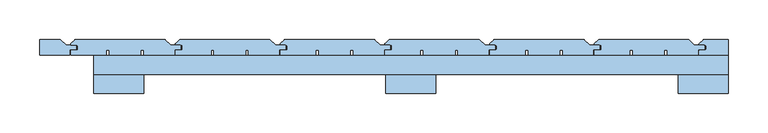
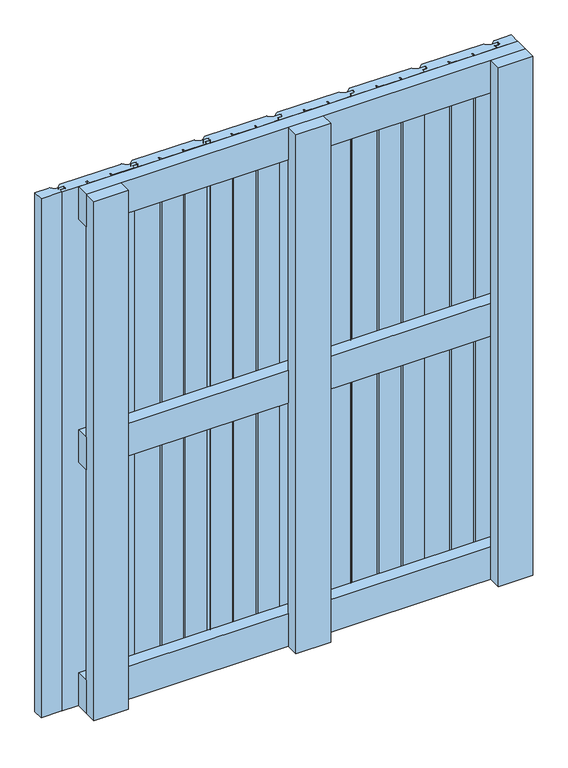
"""IFC4 building model written with IfcOpenShell, lengths in millimetres: window geometry."""

from ifc_helpers import new_model, si_unit, point, frame, frame_2d, origin, place, context, project, spatial, polyline, circle_curve, trimmed, segment, composite_curve, outline, extrude, source, transform, mapped, element, save


def window_c0dc005f(model_context):
    return source(origin(), model_context, "Body", "SweptSolid", [
        extrude(outline(polyline([(400.0, 60.1), (400.0, 36.1), (-400.0, 36.1), (-400.0, 60.1), (400.0, 60.1)])), frame((0.0, 0.0, 568.5), z_axis=(0.0, 0.0, 1.0), x_axis=(1.0, 0.0, 0.0)), (0.0, 0.0, 1.0), 63.0),
        extrude(outline(polyline([(400.0, 60.0), (400.0, 36.0), (-400.0, 36.0), (-400.0, 60.0), (400.0, 60.0)])), frame((0.0, 0.0, 1037.0), z_axis=(0.0, 0.0, 1.0), x_axis=(1.0, 0.0, 0.0)), (0.0, 0.0, 1.0), 63.0),
        extrude(outline(polyline([(400.0, 60.0), (400.0, 36.0), (-400.0, 36.0), (-400.0, 60.0), (400.0, 60.0)])), frame((0.0, 0.0, 100.0), z_axis=(0.0, 0.0, 1.0), x_axis=(1.0, 0.0, 0.0)), (0.0, 0.0, 1.0), 63.0),
        extrude(outline(composite_curve([segment(polyline([(-428.0, 66.5), (-421.5, 66.5)]), True, "CONTINUOUS"), segment(trimmed(circle_curve(frame_2d((-421.5, 68.0)), 1.5), [point((-421.5, 66.5))], [point((-420.0, 68.0))], True, "CARTESIAN"), True, "CONTINUOUS"), segment(polyline([(-420.0, 68.0), (-420.0, 71.5)]), True, "CONTINUOUS"), segment(trimmed(circle_curve(frame_2d((-421.5, 71.5)), 1.5), [point((-420.0, 71.5))], [point((-421.5, 73.0))], True, "CARTESIAN"), True, "CONTINUOUS"), segment(polyline([(-421.5, 73.0), (-428.0, 73.0)]), True, "CONTINUOUS"), segment(trimmed(circle_curve(frame_2d((-428.0, 74.0)), 1.0), [point((-428.0, 73.0))], [point((-428.7071068, 74.7071068))], False, "CARTESIAN"), True, "CONTINUOUS"), segment(polyline([(-428.7071068, 74.7071068), (-423.8535534, 79.5606602)]), True, "CONTINUOUS"), segment(trimmed(circle_curve(frame_2d((-422.7928932, 78.5)), 1.5), [point((-423.8535534, 79.5606602))], [point((-422.7928932, 80.0))], False, "CARTESIAN"), True, "CONTINUOUS"), segment(polyline([(-422.7928932, 80.0), (-310.6213203, 80.0)]), True, "CONTINUOUS"), segment(trimmed(circle_curve(frame_2d((-310.6213203, 78.5)), 1.5), [point((-310.6213203, 80.0))], [point((-309.5606602, 79.5606602))], False, "CARTESIAN"), True, "CONTINUOUS"), segment(polyline([(-309.5606602, 79.5606602), (-303.2928932, 73.2928932)]), True, "CONTINUOUS"), segment(trimmed(circle_curve(frame_2d((-302.5857864, 74.0)), 1.0), [point((-303.2928932, 73.2928932))], [point((-302.5857864, 73.0))], True, "CARTESIAN"), True, "CONTINUOUS"), segment(polyline([(-302.5857864, 73.0), (-291.5, 73.0)]), True, "CONTINUOUS"), segment(trimmed(circle_curve(frame_2d((-291.5, 71.5)), 1.5), [point((-291.5, 73.0))], [point((-290.0, 71.5))], False, "CARTESIAN"), True, "CONTINUOUS"), segment(polyline([(-290.0, 71.5), (-290.0, 68.5)]), True, "CONTINUOUS"), segment(trimmed(circle_curve(frame_2d((-291.5, 68.5)), 1.5), [point((-290.0, 68.5))], [point((-291.5, 67.0))], False, "CARTESIAN"), True, "CONTINUOUS"), segment(polyline([(-291.5, 67.0), (-298.0, 67.0), (-298.0, 60.5), (-337.0, 60.5), (-337.0, 66.5), (-340.5, 66.5), (-340.5, 60.5), (-380.5, 60.5), (-380.5, 66.5), (-384.0, 66.5), (-384.0, 60.5), (-429.0, 60.5), (-429.0, 65.5)]), True, "CONTINUOUS"), segment(trimmed(circle_curve(frame_2d((-428.0, 65.5)), 1.0), [point((-429.0, 65.5))], [point((-428.0, 66.5))], False, "CARTESIAN"), True, "CONTINUOUS")], self_intersect=False)), frame((0.0, 0.0, 100.0), z_axis=(0.0, 0.0, 1.0), x_axis=(1.0, 0.0, 0.0)), (0.0, 0.0, 1.0), 1000.0),
        extrude(outline(composite_curve([segment(polyline([(-296.0, 66.5), (-289.5, 66.5)]), True, "CONTINUOUS"), segment(trimmed(circle_curve(frame_2d((-289.5, 68.0)), 1.5), [point((-289.5, 66.5))], [point((-288.0, 68.0))], True, "CARTESIAN"), True, "CONTINUOUS"), segment(polyline([(-288.0, 68.0), (-288.0, 71.5)]), True, "CONTINUOUS"), segment(trimmed(circle_curve(frame_2d((-289.5, 71.5)), 1.5), [point((-288.0, 71.5))], [point((-289.5, 73.0))], True, "CARTESIAN"), True, "CONTINUOUS"), segment(polyline([(-289.5, 73.0), (-296.0, 73.0)]), True, "CONTINUOUS"), segment(trimmed(circle_curve(frame_2d((-296.0, 74.0)), 1.0), [point((-296.0, 73.0))], [point((-296.7071068, 74.7071068))], False, "CARTESIAN"), True, "CONTINUOUS"), segment(polyline([(-296.7071068, 74.7071068), (-291.8535534, 79.5606602)]), True, "CONTINUOUS"), segment(trimmed(circle_curve(frame_2d((-290.7928932, 78.5)), 1.5), [point((-291.8535534, 79.5606602))], [point((-290.7928932, 80.0))], False, "CARTESIAN"), True, "CONTINUOUS"), segment(polyline([(-290.7928932, 80.0), (-178.6213203, 80.0)]), True, "CONTINUOUS"), segment(trimmed(circle_curve(frame_2d((-178.6213203, 78.5)), 1.5), [point((-178.6213203, 80.0))], [point((-177.5606602, 79.5606602))], False, "CARTESIAN"), True, "CONTINUOUS"), segment(polyline([(-177.5606602, 79.5606602), (-171.2928932, 73.2928932)]), True, "CONTINUOUS"), segment(trimmed(circle_curve(frame_2d((-170.5857864, 74.0)), 1.0), [point((-171.2928932, 73.2928932))], [point((-170.5857864, 73.0))], True, "CARTESIAN"), True, "CONTINUOUS"), segment(polyline([(-170.5857864, 73.0), (-159.5, 73.0)]), True, "CONTINUOUS"), segment(trimmed(circle_curve(frame_2d((-159.5, 71.5)), 1.5), [point((-159.5, 73.0))], [point((-158.0, 71.5))], False, "CARTESIAN"), True, "CONTINUOUS"), segment(polyline([(-158.0, 71.5), (-158.0, 68.5)]), True, "CONTINUOUS"), segment(trimmed(circle_curve(frame_2d((-159.5, 68.5)), 1.5), [point((-158.0, 68.5))], [point((-159.5, 67.0))], False, "CARTESIAN"), True, "CONTINUOUS"), segment(polyline([(-159.5, 67.0), (-166.0, 67.0), (-166.0, 60.5), (-205.0, 60.5), (-205.0, 66.5), (-208.5, 66.5), (-208.5, 60.5), (-248.5, 60.5), (-248.5, 66.5), (-252.0, 66.5), (-252.0, 60.5), (-297.0, 60.5), (-297.0, 65.5)]), True, "CONTINUOUS"), segment(trimmed(circle_curve(frame_2d((-296.0, 65.5)), 1.0), [point((-297.0, 65.5))], [point((-296.0, 66.5))], False, "CARTESIAN"), True, "CONTINUOUS")], self_intersect=False)), frame((0.0, 0.0, 100.0), z_axis=(0.0, 0.0, 1.0), x_axis=(1.0, 0.0, 0.0)), (0.0, 0.0, 1.0), 1000.0),
        extrude(outline(composite_curve([segment(polyline([(-164.0, 66.5), (-157.5, 66.5)]), True, "CONTINUOUS"), segment(trimmed(circle_curve(frame_2d((-157.5, 68.0)), 1.5), [point((-157.5, 66.5))], [point((-156.0, 68.0))], True, "CARTESIAN"), True, "CONTINUOUS"), segment(polyline([(-156.0, 68.0), (-156.0, 71.5)]), True, "CONTINUOUS"), segment(trimmed(circle_curve(frame_2d((-157.5, 71.5)), 1.5), [point((-156.0, 71.5))], [point((-157.5, 73.0))], True, "CARTESIAN"), True, "CONTINUOUS"), segment(polyline([(-157.5, 73.0), (-164.0, 73.0)]), True, "CONTINUOUS"), segment(trimmed(circle_curve(frame_2d((-164.0, 74.0)), 1.0), [point((-164.0, 73.0))], [point((-164.7071068, 74.7071068))], False, "CARTESIAN"), True, "CONTINUOUS"), segment(polyline([(-164.7071068, 74.7071068), (-159.8535534, 79.5606602)]), True, "CONTINUOUS"), segment(trimmed(circle_curve(frame_2d((-158.7928932, 78.5)), 1.5), [point((-159.8535534, 79.5606602))], [point((-158.7928932, 80.0))], False, "CARTESIAN"), True, "CONTINUOUS"), segment(polyline([(-158.7928932, 80.0), (-46.6213203, 80.0)]), True, "CONTINUOUS"), segment(trimmed(circle_curve(frame_2d((-46.6213203, 78.5)), 1.5), [point((-46.6213203, 80.0))], [point((-45.5606602, 79.5606602))], False, "CARTESIAN"), True, "CONTINUOUS"), segment(polyline([(-45.5606602, 79.5606602), (-39.2928932, 73.2928932)]), True, "CONTINUOUS"), segment(trimmed(circle_curve(frame_2d((-38.5857864, 74.0)), 1.0), [point((-39.2928932, 73.2928932))], [point((-38.5857864, 73.0))], True, "CARTESIAN"), True, "CONTINUOUS"), segment(polyline([(-38.5857864, 73.0), (-27.5, 73.0)]), True, "CONTINUOUS"), segment(trimmed(circle_curve(frame_2d((-27.5, 71.5)), 1.5), [point((-27.5, 73.0))], [point((-26.0, 71.5))], False, "CARTESIAN"), True, "CONTINUOUS"), segment(polyline([(-26.0, 71.5), (-26.0, 68.5)]), True, "CONTINUOUS"), segment(trimmed(circle_curve(frame_2d((-27.5, 68.5)), 1.5), [point((-26.0, 68.5))], [point((-27.5, 67.0))], False, "CARTESIAN"), True, "CONTINUOUS"), segment(polyline([(-27.5, 67.0), (-34.0, 67.0), (-34.0, 60.5), (-73.0, 60.5), (-73.0, 66.5), (-76.5, 66.5), (-76.5, 60.5), (-116.5, 60.5), (-116.5, 66.5), (-120.0, 66.5), (-120.0, 60.5), (-165.0, 60.5), (-165.0, 65.5)]), True, "CONTINUOUS"), segment(trimmed(circle_curve(frame_2d((-164.0, 65.5)), 1.0), [point((-165.0, 65.5))], [point((-164.0, 66.5))], False, "CARTESIAN"), True, "CONTINUOUS")], self_intersect=False)), frame((0.0, 0.0, 100.0), z_axis=(0.0, 0.0, 1.0), x_axis=(1.0, 0.0, 0.0)), (0.0, 0.0, 1.0), 1000.0),
        extrude(outline(composite_curve([segment(polyline([(-32.0, 66.5), (-25.5, 66.5)]), True, "CONTINUOUS"), segment(trimmed(circle_curve(frame_2d((-25.5, 68.0)), 1.5), [point((-25.5, 66.5))], [point((-24.0, 68.0))], True, "CARTESIAN"), True, "CONTINUOUS"), segment(polyline([(-24.0, 68.0), (-24.0, 71.5)]), True, "CONTINUOUS"), segment(trimmed(circle_curve(frame_2d((-25.5, 71.5)), 1.5), [point((-24.0, 71.5))], [point((-25.5, 73.0))], True, "CARTESIAN"), True, "CONTINUOUS"), segment(polyline([(-25.5, 73.0), (-32.0, 73.0)]), True, "CONTINUOUS"), segment(trimmed(circle_curve(frame_2d((-32.0, 74.0)), 1.0), [point((-32.0, 73.0))], [point((-32.7071068, 74.7071068))], False, "CARTESIAN"), True, "CONTINUOUS"), segment(polyline([(-32.7071068, 74.7071068), (-27.8535534, 79.5606602)]), True, "CONTINUOUS"), segment(trimmed(circle_curve(frame_2d((-26.7928932, 78.5)), 1.5), [point((-27.8535534, 79.5606602))], [point((-26.7928932, 80.0))], False, "CARTESIAN"), True, "CONTINUOUS"), segment(polyline([(-26.7928932, 80.0), (85.3786797, 80.0)]), True, "CONTINUOUS"), segment(trimmed(circle_curve(frame_2d((85.3786797, 78.5)), 1.5), [point((85.3786797, 80.0))], [point((86.4393398, 79.5606602))], False, "CARTESIAN"), True, "CONTINUOUS"), segment(polyline([(86.4393398, 79.5606602), (92.7071068, 73.2928932)]), True, "CONTINUOUS"), segment(trimmed(circle_curve(frame_2d((93.4142136, 74.0)), 1.0), [point((92.7071068, 73.2928932))], [point((93.4142136, 73.0))], True, "CARTESIAN"), True, "CONTINUOUS"), segment(polyline([(93.4142136, 73.0), (104.5, 73.0)]), True, "CONTINUOUS"), segment(trimmed(circle_curve(frame_2d((104.5, 71.5)), 1.5), [point((104.5, 73.0))], [point((106.0, 71.5))], False, "CARTESIAN"), True, "CONTINUOUS"), segment(polyline([(106.0, 71.5), (106.0, 68.5)]), True, "CONTINUOUS"), segment(trimmed(circle_curve(frame_2d((104.5, 68.5)), 1.5), [point((106.0, 68.5))], [point((104.5, 67.0))], False, "CARTESIAN"), True, "CONTINUOUS"), segment(polyline([(104.5, 67.0), (98.0, 67.0), (98.0, 60.5), (59.0, 60.5), (59.0, 66.5), (55.5, 66.5), (55.5, 60.5), (15.5, 60.5), (15.5, 66.5), (12.0, 66.5), (12.0, 60.5), (-33.0, 60.5), (-33.0, 65.5)]), True, "CONTINUOUS"), segment(trimmed(circle_curve(frame_2d((-32.0, 65.5)), 1.0), [point((-33.0, 65.5))], [point((-32.0, 66.5))], False, "CARTESIAN"), True, "CONTINUOUS")], self_intersect=False)), frame((0.0, 0.0, 100.0), z_axis=(0.0, 0.0, 1.0), x_axis=(1.0, 0.0, 0.0)), (0.0, 0.0, 1.0), 1000.0),
        extrude(outline(composite_curve([segment(polyline([(100.0, 66.5), (106.5, 66.5)]), True, "CONTINUOUS"), segment(trimmed(circle_curve(frame_2d((106.5, 68.0)), 1.5), [point((106.5, 66.5))], [point((108.0, 68.0))], True, "CARTESIAN"), True, "CONTINUOUS"), segment(polyline([(108.0, 68.0), (108.0, 71.5)]), True, "CONTINUOUS"), segment(trimmed(circle_curve(frame_2d((106.5, 71.5)), 1.5), [point((108.0, 71.5))], [point((106.5, 73.0))], True, "CARTESIAN"), True, "CONTINUOUS"), segment(polyline([(106.5, 73.0), (100.0, 73.0)]), True, "CONTINUOUS"), segment(trimmed(circle_curve(frame_2d((100.0, 74.0)), 1.0), [point((100.0, 73.0))], [point((99.2928932, 74.7071068))], False, "CARTESIAN"), True, "CONTINUOUS"), segment(polyline([(99.2928932, 74.7071068), (104.1464466, 79.5606602)]), True, "CONTINUOUS"), segment(trimmed(circle_curve(frame_2d((105.2071068, 78.5)), 1.5), [point((104.1464466, 79.5606602))], [point((105.2071068, 80.0))], False, "CARTESIAN"), True, "CONTINUOUS"), segment(polyline([(105.2071068, 80.0), (217.3786797, 80.0)]), True, "CONTINUOUS"), segment(trimmed(circle_curve(frame_2d((217.3786797, 78.5)), 1.5), [point((217.3786797, 80.0))], [point((218.4393398, 79.5606602))], False, "CARTESIAN"), True, "CONTINUOUS"), segment(polyline([(218.4393398, 79.5606602), (224.7071068, 73.2928932)]), True, "CONTINUOUS"), segment(trimmed(circle_curve(frame_2d((225.4142136, 74.0)), 1.0), [point((224.7071068, 73.2928932))], [point((225.4142136, 73.0))], True, "CARTESIAN"), True, "CONTINUOUS"), segment(polyline([(225.4142136, 73.0), (236.5, 73.0)]), True, "CONTINUOUS"), segment(trimmed(circle_curve(frame_2d((236.5, 71.5)), 1.5), [point((236.5, 73.0))], [point((238.0, 71.5))], False, "CARTESIAN"), True, "CONTINUOUS"), segment(polyline([(238.0, 71.5), (238.0, 68.5)]), True, "CONTINUOUS"), segment(trimmed(circle_curve(frame_2d((236.5, 68.5)), 1.5), [point((238.0, 68.5))], [point((236.5, 67.0))], False, "CARTESIAN"), True, "CONTINUOUS"), segment(polyline([(236.5, 67.0), (230.0, 67.0), (230.0, 60.5), (191.0, 60.5), (191.0, 66.5), (187.5, 66.5), (187.5, 60.5), (147.5, 60.5), (147.5, 66.5), (144.0, 66.5), (144.0, 60.5), (99.0, 60.5), (99.0, 65.5)]), True, "CONTINUOUS"), segment(trimmed(circle_curve(frame_2d((100.0, 65.5)), 1.0), [point((99.0, 65.5))], [point((100.0, 66.5))], False, "CARTESIAN"), True, "CONTINUOUS")], self_intersect=False)), frame((0.0, 0.0, 100.0), z_axis=(0.0, 0.0, 1.0), x_axis=(1.0, 0.0, 0.0)), (0.0, 0.0, 1.0), 1000.0),
        extrude(outline(composite_curve([segment(polyline([(232.0, 66.5), (238.5, 66.5)]), True, "CONTINUOUS"), segment(trimmed(circle_curve(frame_2d((238.5, 68.0)), 1.5), [point((238.5, 66.5))], [point((240.0, 68.0))], True, "CARTESIAN"), True, "CONTINUOUS"), segment(polyline([(240.0, 68.0), (240.0, 71.5)]), True, "CONTINUOUS"), segment(trimmed(circle_curve(frame_2d((238.5, 71.5)), 1.5), [point((240.0, 71.5))], [point((238.5, 73.0))], True, "CARTESIAN"), True, "CONTINUOUS"), segment(polyline([(238.5, 73.0), (232.0, 73.0)]), True, "CONTINUOUS"), segment(trimmed(circle_curve(frame_2d((232.0, 74.0)), 1.0), [point((232.0, 73.0))], [point((231.2928932, 74.7071068))], False, "CARTESIAN"), True, "CONTINUOUS"), segment(polyline([(231.2928932, 74.7071068), (236.1464466, 79.5606602)]), True, "CONTINUOUS"), segment(trimmed(circle_curve(frame_2d((237.2071068, 78.5)), 1.5), [point((236.1464466, 79.5606602))], [point((237.2071068, 80.0))], False, "CARTESIAN"), True, "CONTINUOUS"), segment(polyline([(237.2071068, 80.0), (349.3786797, 80.0)]), True, "CONTINUOUS"), segment(trimmed(circle_curve(frame_2d((349.3786797, 78.5)), 1.5), [point((349.3786797, 80.0))], [point((350.4393398, 79.5606602))], False, "CARTESIAN"), True, "CONTINUOUS"), segment(polyline([(350.4393398, 79.5606602), (356.7071068, 73.2928932)]), True, "CONTINUOUS"), segment(trimmed(circle_curve(frame_2d((357.4142136, 74.0)), 1.0), [point((356.7071068, 73.2928932))], [point((357.4142136, 73.0))], True, "CARTESIAN"), True, "CONTINUOUS"), segment(polyline([(357.4142136, 73.0), (368.5, 73.0)]), True, "CONTINUOUS"), segment(trimmed(circle_curve(frame_2d((368.5, 71.5)), 1.5), [point((368.5, 73.0))], [point((370.0, 71.5))], False, "CARTESIAN"), True, "CONTINUOUS"), segment(polyline([(370.0, 71.5), (370.0, 68.5)]), True, "CONTINUOUS"), segment(trimmed(circle_curve(frame_2d((368.5, 68.5)), 1.5), [point((370.0, 68.5))], [point((368.5, 67.0))], False, "CARTESIAN"), True, "CONTINUOUS"), segment(polyline([(368.5, 67.0), (362.0, 67.0), (362.0, 60.5), (323.0, 60.5), (323.0, 66.5), (319.5, 66.5), (319.5, 60.5), (279.5, 60.5), (279.5, 66.5), (276.0, 66.5), (276.0, 60.5), (231.0, 60.5), (231.0, 65.5)]), True, "CONTINUOUS"), segment(trimmed(circle_curve(frame_2d((232.0, 65.5)), 1.0), [point((231.0, 65.5))], [point((232.0, 66.5))], False, "CARTESIAN"), True, "CONTINUOUS")], self_intersect=False)), frame((0.0, 0.0, 100.0), z_axis=(0.0, 0.0, 1.0), x_axis=(1.0, 0.0, 0.0)), (0.0, 0.0, 1.0), 1000.0),
        extrude(outline(composite_curve([segment(polyline([(-441.5606602, 79.5606602), (-435.2928932, 73.2928932)]), True, "CONTINUOUS"), segment(trimmed(circle_curve(frame_2d((-434.5857864, 74.0)), 1.0), [point((-435.2928932, 73.2928932))], [point((-434.5857864, 73.0))], True, "CARTESIAN"), True, "CONTINUOUS"), segment(polyline([(-434.5857864, 73.0), (-423.5, 73.0)]), True, "CONTINUOUS"), segment(trimmed(circle_curve(frame_2d((-423.5, 71.5)), 1.5), [point((-423.5, 73.0))], [point((-422.0, 71.5))], False, "CARTESIAN"), True, "CONTINUOUS"), segment(polyline([(-422.0, 71.5), (-422.0, 68.5)]), True, "CONTINUOUS"), segment(trimmed(circle_curve(frame_2d((-423.5, 68.5)), 1.5), [point((-422.0, 68.5))], [point((-423.5, 67.0))], False, "CARTESIAN"), True, "CONTINUOUS"), segment(polyline([(-423.5, 67.0), (-430.0, 67.0), (-430.0, 60.5), (-468.0, 60.5), (-468.0, 80.0), (-442.6213203, 80.0)]), True, "CONTINUOUS"), segment(trimmed(circle_curve(frame_2d((-442.6213203, 78.5)), 1.5), [point((-442.6213203, 80.0))], [point((-441.5606602, 79.5606602))], False, "CARTESIAN"), True, "CONTINUOUS")], self_intersect=False)), frame((0.0, 0.0, 100.0), z_axis=(0.0, 0.0, 1.0), x_axis=(1.0, 0.0, 0.0)), (0.0, 0.0, 1.0), 1000.0),
        extrude(outline(composite_curve([segment(polyline([(364.0, 66.5), (370.5, 66.5)]), True, "CONTINUOUS"), segment(trimmed(circle_curve(frame_2d((370.5, 68.0)), 1.5), [point((370.5, 66.5))], [point((372.0, 68.0))], True, "CARTESIAN"), True, "CONTINUOUS"), segment(polyline([(372.0, 68.0), (372.0, 71.5)]), True, "CONTINUOUS"), segment(trimmed(circle_curve(frame_2d((370.5, 71.5)), 1.5), [point((372.0, 71.5))], [point((370.5, 73.0))], True, "CARTESIAN"), True, "CONTINUOUS"), segment(polyline([(370.5, 73.0), (364.0, 73.0)]), True, "CONTINUOUS"), segment(trimmed(circle_curve(frame_2d((364.0, 74.0)), 1.0), [point((364.0, 73.0))], [point((363.2928932, 74.7071068))], False, "CARTESIAN"), True, "CONTINUOUS"), segment(polyline([(363.2928932, 74.7071068), (368.1464466, 79.5606602)]), True, "CONTINUOUS"), segment(trimmed(circle_curve(frame_2d((369.2071068, 78.5)), 1.5), [point((368.1464466, 79.5606602))], [point((369.2071068, 80.0))], False, "CARTESIAN"), True, "CONTINUOUS"), segment(polyline([(369.2071068, 80.0), (400.0, 80.0), (400.0, 60.5), (363.0, 60.5), (363.0, 65.5)]), True, "CONTINUOUS"), segment(trimmed(circle_curve(frame_2d((364.0, 65.5)), 1.0), [point((363.0, 65.5))], [point((364.0, 66.5))], False, "CARTESIAN"), True, "CONTINUOUS")], self_intersect=False)), frame((0.0, 0.0, 100.0), z_axis=(0.0, 0.0, 1.0), x_axis=(1.0, 0.0, 0.0)), (0.0, 0.0, 1.0), 1000.0),
        extrude(outline(polyline([(-31.5, 36.1), (31.5, 36.1), (31.5, 12.1), (-31.5, 12.1), (-31.5, 36.1)])), frame((0.0, 0.0, 100.0), z_axis=(0.0, 0.0, 1.0), x_axis=(1.0, 0.0, 0.0)), (0.0, 0.0, 1.0), 1000.0),
        extrude(outline(polyline([(-400.0, 36.0), (-337.0, 36.0), (-337.0, 12.0), (-400.0, 12.0), (-400.0, 36.0)])), frame((0.0, 0.0, 100.0), z_axis=(0.0, 0.0, 1.0), x_axis=(1.0, 0.0, 0.0)), (0.0, 0.0, 1.0), 1000.0),
        extrude(outline(polyline([(337.0, 36.0), (400.0, 36.0), (400.0, 12.0), (337.0, 12.0), (337.0, 36.0)])), frame((0.0, 0.0, 100.0), z_axis=(0.0, 0.0, 1.0), x_axis=(1.0, 0.0, 0.0)), (0.0, 0.0, 1.0), 1000.0),
    ])


if __name__ == "__main__":
    model = new_model("IFC4")
    model_context = context("Model", 3, world=origin())
    ifc_project = project(units=[si_unit("LENGTHUNIT", "METRE", prefix="MILLI")], contexts=[model_context])
    site = spatial("IfcSite", under=ifc_project)
    building = spatial("IfcBuilding", under=site)
    placement = place(None, origin())
    window_shape = window_c0dc005f(model_context)
    element("IfcWindow", 1, at=placement, inside=building, context=model_context, shape_type="MappedRepresentation", body=[
        mapped(window_shape, transform((0.0, 0.0, 0.0), x_axis=(1.0, 0.0, 0.0), y_axis=(0.0, 1.0, 0.0), z_axis=(0.0, 0.0, 1.0))),
    ])
    save(model, "model.ifc")
